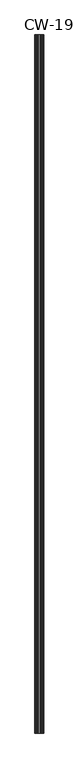
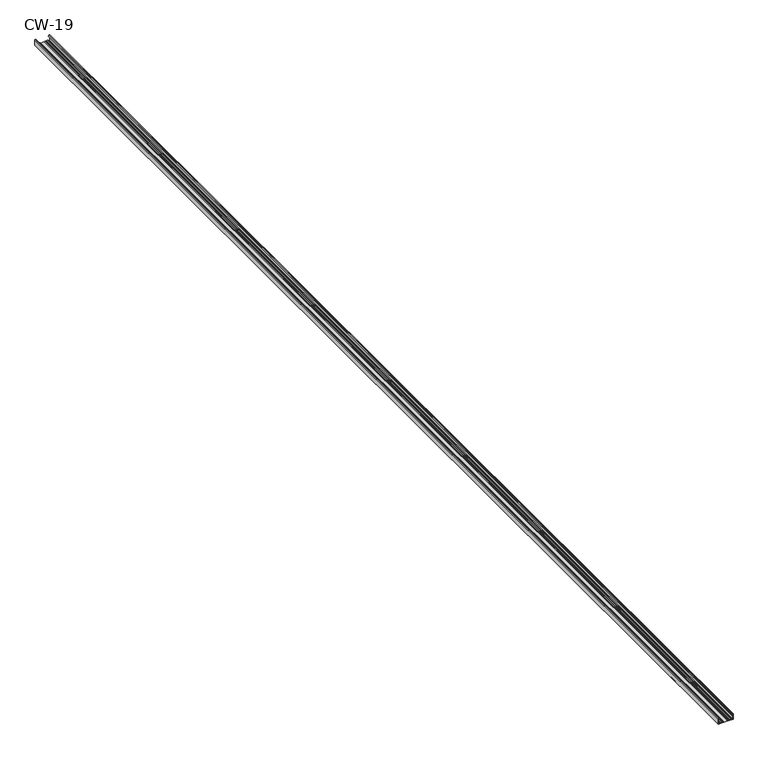
"""IFC4 building model written with IfcOpenShell, lengths in millimetres: proxy geometry, CW-19."""

from ifc_helpers import new_model, si_unit, point, frame, frame_2d, origin, place, context, project, spatial, polyline, circle_curve, trimmed, segment, composite_curve, outline, extrude, source, transform, mapped, element, save


def cw_19_7d4f242d(model_context):
    return source(origin(), model_context, "Body", "SweptSolid", [
        extrude(outline(composite_curve([segment(trimmed(circle_curve(frame_2d((-1.0, -24.0)), 0.5), [point((-1.0, -24.5))], [point((-0.5, -24.0))], True, "CARTESIAN"), True, "CONTINUOUS"), segment(polyline([(-0.5, -24.0), (-0.5, -21.6466568), (-3.1346768, -21.2973409), (-2.9940841, -20.5), (-0.4479055, -21.1481292)]), True, "CONTINUOUS"), segment(trimmed(circle_curve(frame_2d((-0.7947911, -21.8690108)), 0.8), [point((-0.4479055, -21.1481292))], [point((0.0, -21.7778679))], False, "CARTESIAN"), True, "CONTINUOUS"), segment(polyline([(0.0, -21.7778679), (0.0, -24.0)]), True, "CONTINUOUS"), segment(trimmed(circle_curve(frame_2d((-1.0, -24.0)), 1.0), [point((0.0, -24.0))], [point((-1.0, -25.0))], False, "CARTESIAN"), True, "CONTINUOUS"), segment(polyline([(-1.0, -25.0), (-19.0, -25.0), (-19.0, -20.1), (-17.7, -20.1), (-17.7, -19.2), (-18.5, -19.2), (-18.5, -17.0), (-17.7, -17.0), (-17.7, -16.2), (-18.5, -16.2), (-18.5, -14.0), (-17.7, -14.0), (-17.7, -13.1), (-18.5, -13.1), (-18.5, -10.9), (-17.7, -10.9), (-17.7, -10.1), (-18.5, -10.1), (-18.5, -7.9), (-17.7, -7.9), (-17.7, -7.0), (-19.0, -7.0), (-19.0, 7.0), (-17.7, 7.0), (-17.7, 7.9), (-18.5, 7.9), (-18.5, 10.1), (-17.7, 10.1), (-17.7, 10.9), (-18.5, 10.9), (-18.5, 13.1), (-17.7, 13.1), (-17.7, 14.0), (-18.5, 14.0), (-18.5, 16.2), (-17.7, 16.2), (-17.7, 17.0), (-18.5, 17.0), (-18.5, 19.2), (-17.7, 19.2), (-17.7, 20.1), (-19.0, 20.1), (-19.0, 25.0), (-1.0, 25.0)]), True, "CONTINUOUS"), segment(trimmed(circle_curve(frame_2d((-1.0, 24.0)), 1.0), [point((-1.0, 25.0))], [point((0.0, 24.0))], False, "CARTESIAN"), True, "CONTINUOUS"), segment(polyline([(0.0, 24.0), (0.0, 21.7778679)]), True, "CONTINUOUS"), segment(trimmed(circle_curve(frame_2d((-0.7947911, 21.8690108)), 0.8), [point((0.0, 21.7778679))], [point((-0.4479055, 21.1481292))], False, "CARTESIAN"), True, "CONTINUOUS"), segment(polyline([(-0.4479055, 21.1481292), (-2.9940841, 20.5), (-3.1346768, 21.2973409), (-0.5, 21.6466568), (-0.5, 24.0)]), True, "CONTINUOUS"), segment(trimmed(circle_curve(frame_2d((-1.0, 24.0)), 0.5), [point((-0.5, 24.0))], [point((-1.0, 24.5))], True, "CARTESIAN"), True, "CONTINUOUS"), segment(polyline([(-1.0, 24.5), (-18.5, 24.5), (-18.5, 20.6), (-17.2, 20.6), (-17.2, 18.7), (-18.0, 18.7), (-18.0, 17.5), (-17.2, 17.5), (-17.2, 15.7), (-18.0, 15.7), (-18.0, 14.5), (-17.2, 14.5), (-17.2, 12.6), (-18.0, 12.6), (-18.0, 11.4), (-17.2, 11.4), (-17.2, 9.6), (-18.0, 9.6), (-18.0, 8.4), (-17.2, 8.4), (-17.2, 6.5), (-18.5, 6.5), (-18.5, -6.5), (-17.2, -6.5), (-17.2, -8.4), (-18.0, -8.4), (-18.0, -9.6), (-17.2, -9.6), (-17.2, -11.4), (-18.0, -11.4), (-18.0, -12.6), (-17.2, -12.6), (-17.2, -14.5), (-18.0, -14.5), (-18.0, -15.7), (-17.2, -15.7), (-17.2, -17.5), (-18.0, -17.5), (-18.0, -18.7), (-17.2, -18.7), (-17.2, -20.6), (-18.5, -20.6), (-18.5, -24.5), (-1.0, -24.5)]), True, "CONTINUOUS")], self_intersect=False)), frame((0.0, 0.0, 0.0), z_axis=(0.0, 1.0, 0.0), x_axis=(0.0, 0.0, 1.0)), (0.0, 0.0, 1.0), 4000.0),
    ])


if __name__ == "__main__":
    model = new_model("IFC4")
    model_context = context("Model", 3, world=origin())
    ifc_project = project(units=[si_unit("LENGTHUNIT", "METRE", prefix="MILLI")], contexts=[model_context])
    site = spatial("IfcSite", under=ifc_project)
    building = spatial("IfcBuilding", under=site)
    placement = place(None, origin())
    cw_19_shape = cw_19_7d4f242d(model_context)
    element("IfcBuildingElementProxy", 1, Name="CW-19", ObjectType="CW-19", at=placement, inside=building, context=model_context, shape_type="MappedRepresentation", body=[
        mapped(cw_19_shape, transform((0.0, 0.0, 0.0), x_axis=(1.0, 0.0, 0.0), y_axis=(0.0, 1.0, 0.0), z_axis=(0.0, 0.0, 1.0))),
    ])
    save(model, "model.ifc")
